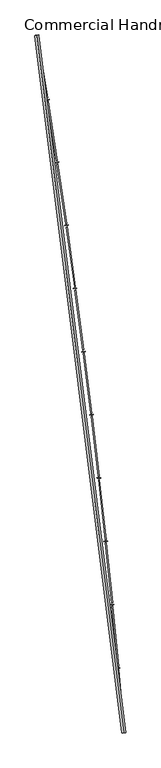
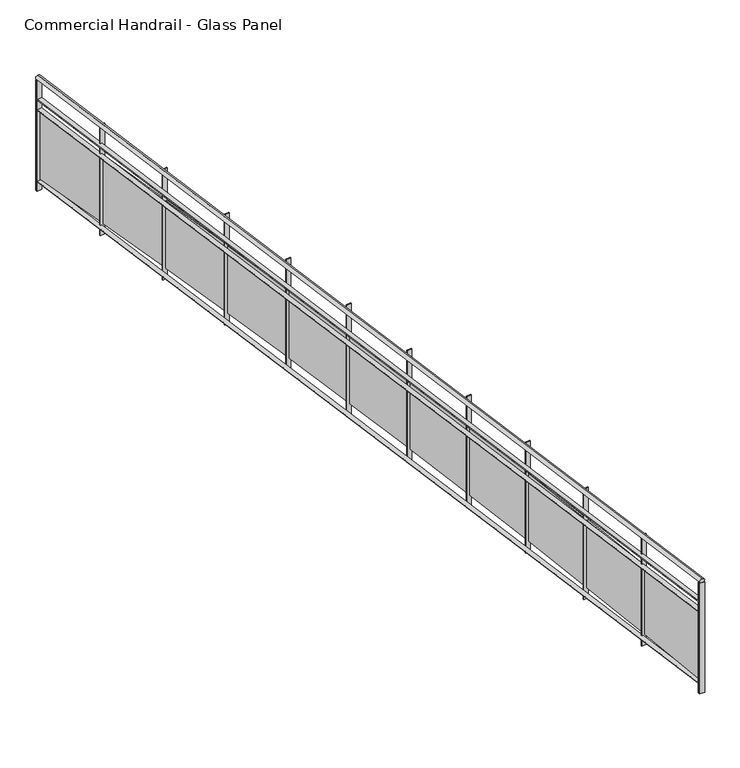
"""IFC4 building model written with IfcOpenShell, lengths in millimetres: railing geometry, Commercial Handrail - Glass Panel."""

from ifc_helpers import new_model, si_unit, point, frame, origin, place, context, project, spatial, polyline, circle_curve, ellipse_curve, trimmed, outline, extrude, source, transform, mapped, element, save
from ifc_brep_helpers import plane_surface, cylinder_surface, revolved_surface, advanced_brep


def commercial_handrail_glass_panel_d7b3b15d(model_context):
    return source(origin(), model_context, "Body", "SolidModel", [
        advanced_brep(
        [(155415.1518736, -49813.1101198, 23082.5), (156507.3198577, -58575.9102119, 23082.5), (156507.3198577, -58575.9102119, 23117.5), (155415.1518736, -49813.1101198, 23117.5)],
        [
            (0, 1, circle_curve(frame((49774.785812, -67429.2570352, 23082.5), z_axis=(0.0, 0.0, -1.0), x_axis=(0.9965773914870409, 0.08266500333808188, 0.0)), 107099.0923108)),
            (1, 2, ellipse_curve(frame((156507.3198577, -58575.9102119, 23100.0), z_axis=(-0.08266500333808835, 0.9965773914870406, 0.0), x_axis=(0.9965773914870404, 0.08266500333808834, 0.0)), 25.0, 17.5)),
            (2, 3, circle_curve(frame((49774.785812, -67429.2570352, 23117.5), z_axis=(0.0, 0.0, 1.0), x_axis=(0.9965773914870409, 0.08266500333808188, 0.0)), 107099.0923108)),
            (3, 0, ellipse_curve(frame((155415.1518736, -49813.1101198, 23100.0), z_axis=(0.16448455850891983, -0.9863796581500077, 0.0), x_axis=(0.9863796581500075, 0.1644845585089198, 0.0)), 25.0, 17.5)),
            (2, 1, ellipse_curve(frame((156507.3198577, -58575.9102119, 23100.0), z_axis=(-0.08266500333808835, 0.9965773914870406, 0.0), x_axis=(0.9965773914870404, 0.08266500333808834, 0.0)), 25.0, 17.5)),
            (0, 3, ellipse_curve(frame((155415.1518736, -49813.1101198, 23100.0), z_axis=(0.16448455850891983, -0.9863796581500077, 0.0), x_axis=(0.9863796581500075, 0.1644845585089198, 0.0)), 25.0, 17.5)),
        ],
        [
            revolved_surface(trimmed(ellipse_curve(frame((156507.3198577, -58575.9102119, 23100.0), z_axis=(0.08266500333808188, -0.9965773914870409, 0.0), x_axis=(0.0, 0.0, -1.0)), 17.5, 25.0), [point((156507.3198577, -58575.9102119, 23117.5))], [point((156507.3198577, -58575.9102119, 23082.5))], True, "CARTESIAN"), (49774.785812, -67429.2570352, 23100.0), (0.0, 0.0, 1.0)),
            revolved_surface(trimmed(ellipse_curve(frame((156507.3198577, -58575.9102119, 23100.0), z_axis=(0.08266500333808188, -0.9965773914870409, 0.0), x_axis=(0.0, 0.0, -1.0)), 17.5, 25.0), [point((156507.3198577, -58575.9102119, 23082.5))], [point((156507.3198577, -58575.9102119, 23117.5))], True, "CARTESIAN"), (49774.785812, -67429.2570352, 23100.0), (0.0, 0.0, 1.0)),
            plane_surface(frame((156507.3198577, -58575.9102119, 23100.0), z_axis=(0.08266500333808188, -0.9965773914870409, 0.0), x_axis=(0.9965773914870409, 0.08266500333808188, 0.0))),
            plane_surface(frame((155415.1518736, -49813.1101198, 23100.0), z_axis=(-0.16448455850891983, 0.9863796581500076, 0.0), x_axis=(0.9863796581500076, 0.16448455850891983, 0.0))),
        ],
        [
            (0, [[1, 2, 3, 4]]),
            (1, [[-3, 5, -1, 6]]),
            (2, [[-2, -5]]),
            (3, [[-6, -4]]),
        ],
    ),
        advanced_brep(
        [(155392.9583313, -49816.8110224, 22900.0), (156484.8968663, -58577.7701744, 22900.0), (156529.742849, -58574.0502493, 22900.0), (155437.3454159, -49809.4092172, 22900.0), (155392.9583313, -49816.8110224, 22894.0), (156484.8968663, -58577.7701744, 22894.0), (155437.3454159, -49809.4092172, 22894.0), (156529.742849, -58574.0502493, 22894.0)],
        [
            (0, 1, circle_curve(frame((49774.785812, -67429.2570352, 22900.0), z_axis=(0.0, 0.0, -1.0), x_axis=(0.9965773914870409, 0.08266500333808188, 0.0)), 107076.5923108)),
            (1, 2),
            (2, 3, circle_curve(frame((49774.785812, -67429.2570352, 22900.0), z_axis=(0.0, 0.0, 1.0), x_axis=(0.9965773914870409, 0.08266500333808188, 0.0)), 107121.5923108)),
            (3, 0),
            (4, 5, circle_curve(frame((49774.785812, -67429.2570352, 22894.0), z_axis=(0.0, 0.0, -1.0), x_axis=(0.9965773914870409, 0.08266500333808188, 0.0)), 107076.5923108)),
            (5, 1),
            (0, 4),
            (6, 7, circle_curve(frame((49774.785812, -67429.2570352, 22894.0), z_axis=(0.0, 0.0, -1.0), x_axis=(0.9965773914870409, 0.08266500333808188, 0.0)), 107121.5923108)),
            (7, 5),
            (4, 6),
            (2, 7),
            (6, 3),
        ],
        [
            plane_surface(frame((49774.785812, -67429.2570352, 22900.0), z_axis=(0.0, 0.0, 1.0), x_axis=(0.9965773914870409, 0.08266500333808188, 0.0))),
            revolved_surface(polyline([(156484.89686641842, -58577.77017439729, 22900.0), (156484.89686641842, -58577.77017439729, 22894.0)]), (49774.785812, -67429.2570352, 22900.0), (0.0, 0.0, 1.0)),
            plane_surface(frame((49774.785812, -67429.2570352, 22894.0), z_axis=(0.0, 0.0, -1.0), x_axis=(0.9965773914870409, 0.08266500333808188, 0.0))),
            cylinder_surface(frame((49774.785812, -67429.2570352, 22900.0), z_axis=(0.0, 0.0, 1.0), x_axis=(0.9965773914870409, 0.08266500333808188, 0.0)), 107121.5923108),
            plane_surface(frame((156507.3198577, -58575.9102119, 22900.0), z_axis=(0.08266500333808188, -0.9965773914870409, 0.0), x_axis=(0.9965773914870409, 0.08266500333808188, 0.0))),
            plane_surface(frame((155415.1518736, -49813.1101198, 22900.0), z_axis=(-0.16448455850891983, 0.9863796581500076, 0.0), x_axis=(0.9863796581500076, 0.16448455850891983, 0.0))),
        ],
        [
            (0, [[1, 2, 3, 4]]),
            (1, [[5, 6, -1, 7]]),
            (2, [[8, 9, -5, 10]]),
            (3, [[-3, 11, -8, 12]]),
            (4, [[-2, -6, -9, -11]]),
            (5, [[-12, -10, -7, -4]]),
        ],
    ),
        advanced_brep(
        [(155392.9583313, -49816.8110224, 22800.0), (156484.8968663, -58577.7701744, 22800.0), (156529.742849, -58574.0502493, 22800.0), (155437.3454159, -49809.4092172, 22800.0), (155392.9583313, -49816.8110224, 22794.0), (156484.8968663, -58577.7701744, 22794.0), (155437.3454159, -49809.4092172, 22794.0), (156529.742849, -58574.0502493, 22794.0)],
        [
            (0, 1, circle_curve(frame((49774.785812, -67429.2570352, 22800.0), z_axis=(0.0, 0.0, -1.0), x_axis=(0.9965773914870409, 0.08266500333808188, 0.0)), 107076.5923108)),
            (1, 2),
            (2, 3, circle_curve(frame((49774.785812, -67429.2570352, 22800.0), z_axis=(0.0, 0.0, 1.0), x_axis=(0.9965773914870409, 0.08266500333808188, 0.0)), 107121.5923108)),
            (3, 0),
            (4, 5, circle_curve(frame((49774.785812, -67429.2570352, 22794.0), z_axis=(0.0, 0.0, -1.0), x_axis=(0.9965773914870409, 0.08266500333808188, 0.0)), 107076.5923108)),
            (5, 1),
            (0, 4),
            (6, 7, circle_curve(frame((49774.785812, -67429.2570352, 22794.0), z_axis=(0.0, 0.0, -1.0), x_axis=(0.9965773914870409, 0.08266500333808188, 0.0)), 107121.5923108)),
            (7, 5),
            (4, 6),
            (2, 7),
            (6, 3),
        ],
        [
            plane_surface(frame((49774.785812, -67429.2570352, 22800.0), z_axis=(0.0, 0.0, 1.0), x_axis=(0.9965773914870409, 0.08266500333808188, 0.0))),
            revolved_surface(polyline([(156484.89686641842, -58577.77017439729, 22800.0), (156484.89686641842, -58577.77017439729, 22794.0)]), (49774.785812, -67429.2570352, 22800.0), (0.0, 0.0, 1.0)),
            plane_surface(frame((49774.785812, -67429.2570352, 22794.0), z_axis=(0.0, 0.0, -1.0), x_axis=(0.9965773914870409, 0.08266500333808188, 0.0))),
            cylinder_surface(frame((49774.785812, -67429.2570352, 22800.0), z_axis=(0.0, 0.0, 1.0), x_axis=(0.9965773914870409, 0.08266500333808188, 0.0)), 107121.5923108),
            plane_surface(frame((156507.3198577, -58575.9102119, 22800.0), z_axis=(0.08266500333808188, -0.9965773914870409, 0.0), x_axis=(0.9965773914870409, 0.08266500333808188, 0.0))),
            plane_surface(frame((155415.1518736, -49813.1101198, 22800.0), z_axis=(-0.16448455850891983, 0.9863796581500076, 0.0), x_axis=(0.9863796581500076, 0.16448455850891983, 0.0))),
        ],
        [
            (0, [[1, 2, 3, 4]]),
            (1, [[5, 6, -1, 7]]),
            (2, [[8, 9, -5, 10]]),
            (3, [[-3, 11, -8, 12]]),
            (4, [[-2, -6, -9, -11]]),
            (5, [[-12, -10, -7, -4]]),
        ],
    ),
        advanced_brep(
        [(155392.9583313, -49816.8110224, 22100.0), (156484.8968663, -58577.7701744, 22100.0), (156529.742849, -58574.0502493, 22100.0), (155437.3454159, -49809.4092172, 22100.0), (155392.9583313, -49816.8110224, 22094.0), (156484.8968663, -58577.7701744, 22094.0), (155437.3454159, -49809.4092172, 22094.0), (156529.742849, -58574.0502493, 22094.0)],
        [
            (0, 1, circle_curve(frame((49774.785812, -67429.2570352, 22100.0), z_axis=(0.0, 0.0, -1.0), x_axis=(0.9965773914870409, 0.08266500333808188, 0.0)), 107076.5923108)),
            (1, 2),
            (2, 3, circle_curve(frame((49774.785812, -67429.2570352, 22100.0), z_axis=(0.0, 0.0, 1.0), x_axis=(0.9965773914870409, 0.08266500333808188, 0.0)), 107121.5923108)),
            (3, 0),
            (4, 5, circle_curve(frame((49774.785812, -67429.2570352, 22094.0), z_axis=(0.0, 0.0, -1.0), x_axis=(0.9965773914870409, 0.08266500333808188, 0.0)), 107076.5923108)),
            (5, 1),
            (0, 4),
            (6, 7, circle_curve(frame((49774.785812, -67429.2570352, 22094.0), z_axis=(0.0, 0.0, -1.0), x_axis=(0.9965773914870409, 0.08266500333808188, 0.0)), 107121.5923108)),
            (7, 5),
            (4, 6),
            (2, 7),
            (6, 3),
        ],
        [
            plane_surface(frame((49774.785812, -67429.2570352, 22100.0), z_axis=(0.0, 0.0, 1.0), x_axis=(0.9965773914870409, 0.08266500333808188, 0.0))),
            revolved_surface(polyline([(156484.89686641842, -58577.77017439729, 22100.0), (156484.89686641842, -58577.77017439729, 22094.0)]), (49774.785812, -67429.2570352, 22100.0), (0.0, 0.0, 1.0)),
            plane_surface(frame((49774.785812, -67429.2570352, 22094.0), z_axis=(0.0, 0.0, -1.0), x_axis=(0.9965773914870409, 0.08266500333808188, 0.0))),
            cylinder_surface(frame((49774.785812, -67429.2570352, 22100.0), z_axis=(0.0, 0.0, 1.0), x_axis=(0.9965773914870409, 0.08266500333808188, 0.0)), 107121.5923108),
            plane_surface(frame((156507.3198577, -58575.9102119, 22100.0), z_axis=(0.08266500333808188, -0.9965773914870409, 0.0), x_axis=(0.9965773914870409, 0.08266500333808188, 0.0))),
            plane_surface(frame((155415.1518736, -49813.1101198, 22100.0), z_axis=(-0.16448455850891983, 0.9863796581500076, 0.0), x_axis=(0.9863796581500076, 0.16448455850891983, 0.0))),
        ],
        [
            (0, [[1, 2, 3, 4]]),
            (1, [[5, 6, -1, 7]]),
            (2, [[8, 9, -5, 10]]),
            (3, [[-3, 11, -8, 12]]),
            (4, [[-2, -6, -9, -11]]),
            (5, [[-12, -10, -7, -4]]),
        ],
    ),
        extrude(outline(polyline([(155440.5602167, -49828.6983042), (155396.1719887, -49836.0932495), (155395.185996, -49830.1748191), (155439.574224, -49822.7798738), (155440.5602167, -49828.6983042)])), frame((0.0, 0.0, 22000.0), z_axis=(0.0, 0.0, 1.0), x_axis=(1.0, 0.0, 0.0)), (0.0, 0.0, 1.0), 1082.1192282),
        extrude(outline(polyline([(155537.9927324, -50600.148842), (155415.9010924, -49850.0197655), (155427.7452357, -49848.0920027), (155549.8368757, -50598.2210792), (155537.9927324, -50600.148842)])), frame((0.0, 0.0, 22120.0), z_axis=(0.0, 0.0, 1.0), x_axis=(1.0, 0.0, 0.0)), (0.0, 0.0, 1.0), 660.0),
        extrude(outline(polyline([(155569.0823153, -50618.4755081), (155524.640088, -50625.5386825), (155523.6983314, -50619.6130522), (155568.1405587, -50612.5498778), (155569.0823153, -50618.4755081)])), frame((0.0, 0.0, 22000.0), z_axis=(0.0, 0.0, 1.0), x_axis=(1.0, 0.0, 0.0)), (0.0, 0.0, 1.0), 1082.1192282),
        extrude(outline(polyline([(155660.7496486, -51390.6323103), (155544.2646152, -50639.6121795), (155556.1228277, -50637.7729421), (155672.6078612, -51388.793073), (155660.7496486, -51390.6323103)])), frame((0.0, 0.0, 22120.0), z_axis=(0.0, 0.0, 1.0), x_axis=(1.0, 0.0, 0.0)), (0.0, 0.0, 1.0), 660.0),
        extrude(outline(polyline([(155691.7014704, -51409.1906934), (155647.2077235, -51415.921703), (155646.3102556, -51409.9892034), (155690.8040025, -51403.2581938), (155691.7014704, -51409.1906934)])), frame((0.0, 0.0, 22000.0), z_axis=(0.0, 0.0, 1.0), x_axis=(1.0, 0.0, 0.0)), (0.0, 0.0, 1.0), 1082.1192282),
        extrude(outline(polyline([(155777.5985065, -52182.0106766), (155666.7265791, -51430.1413956), (155678.5981993, -51428.3907863), (155789.4701268, -52180.2600673), (155777.5985065, -52182.0106766)])), frame((0.0, 0.0, 22120.0), z_axis=(0.0, 0.0, 1.0), x_axis=(1.0, 0.0, 0.0)), (0.0, 0.0, 1.0), 660.0),
        extrude(outline(polyline([(155808.4108402, -52200.7997412), (155763.8680564, -52207.1982104), (155763.0149272, -52201.2591725), (155807.557711, -52194.8607033), (155808.4108402, -52200.7997412)])), frame((0.0, 0.0, 22000.0), z_axis=(0.0, 0.0, 1.0), x_axis=(1.0, 0.0, 0.0)), (0.0, 0.0, 1.0), 1082.1192282),
        extrude(outline(polyline([(155888.5327865, -52974.2397848), (155783.2801513, -52221.5633053), (155795.1645168, -52219.9014216), (155900.4171519, -52972.5779011), (155888.5327865, -52974.2397848)])), frame((0.0, 0.0, 22120.0), z_axis=(0.0, 0.0, 1.0), x_axis=(1.0, 0.0, 0.0)), (0.0, 0.0, 1.0), 660.0),
        extrude(outline(polyline([(155919.2039129, -52993.2584824), (155874.6145774, -52999.3240542), (155873.8058345, -52993.3788094), (155918.39517, -52987.3132377), (155919.2039129, -52993.2584824)])), frame((0.0, 0.0, 22000.0), z_axis=(0.0, 0.0, 1.0), x_axis=(1.0, 0.0, 0.0)), (0.0, 0.0, 1.0), 1082.1192282),
        extrude(outline(polyline([(155993.5462987, -53767.2754312), (155893.9188285, -53013.8337498), (155905.8152761, -53012.2606845), (156005.4427463, -53765.7023659), (155993.5462987, -53767.2754312)])), frame((0.0, 0.0, 22120.0), z_axis=(0.0, 0.0, 1.0), x_axis=(1.0, 0.0, 0.0)), (0.0, 0.0, 1.0), 660.0),
        extrude(outline(polyline([(156024.0745064, -53786.5227008), (155979.4411072, -53792.2550367), (155978.6767957, -53786.3039168), (156023.3101949, -53780.5715809), (156024.0745064, -53786.5227008)])), frame((0.0, 0.0, 22000.0), z_axis=(0.0, 0.0, 1.0), x_axis=(1.0, 0.0, 0.0)), (0.0, 0.0, 1.0), 1082.1192282),
        extrude(outline(polyline([(156092.6331838, -54561.0733673), (155998.6364375, -53806.9085235), (156010.5443034, -53805.4243644), (156104.5410497, -54559.5892082), (156092.6331838, -54561.0733673)])), frame((0.0, 0.0, 22120.0), z_axis=(0.0, 0.0, 1.0), x_axis=(1.0, 0.0, 0.0)), (0.0, 0.0, 1.0), 660.0),
        extrude(outline(polyline([(156123.0167695, -54580.548135), (156078.3417969, -54585.9469151), (156077.6219596, -54579.9902521), (156122.2969321, -54574.591472), (156123.0167695, -54580.548135)])), frame((0.0, 0.0, 22000.0), z_axis=(0.0, 0.0, 1.0), x_axis=(1.0, 0.0, 0.0)), (0.0, 0.0, 1.0), 1082.1192282),
        extrude(outline(polyline([(156185.787913, -55355.5893021), (156097.4271353, -54600.7433755), (156109.3457552, -54599.3482053), (156197.7065329, -55354.194132), (156185.787913, -55355.5893021)])), frame((0.0, 0.0, 22120.0), z_axis=(0.0, 0.0, 1.0), x_axis=(1.0, 0.0, 0.0)), (0.0, 0.0, 1.0), 660.0),
        extrude(outline(polyline([(156216.0251814, -55375.2904812), (156171.3111282, -55380.3554043), (156170.6358051, -55374.3935306), (156215.3498583, -55369.3286074), (156216.0251814, -55375.2904812)])), frame((0.0, 0.0, 22000.0), z_axis=(0.0, 0.0, 1.0), x_axis=(1.0, 0.0, 0.0)), (0.0, 0.0, 1.0), 1082.1192282),
        extrude(outline(polyline([(156273.0052888, -56150.7789044), (156190.2854098, -55395.2940127), (156202.2141186, -55393.9879094), (156284.9339976, -56149.4728011), (156273.0052888, -56150.7789044)])), frame((0.0, 0.0, 22120.0), z_axis=(0.0, 0.0, 1.0), x_axis=(1.0, 0.0, 0.0)), (0.0, 0.0, 1.0), 660.0),
        extrude(outline(polyline([(156303.0945527, -56170.7053956), (156258.3439138, -56175.4361792), (156257.7131426, -56169.4694274), (156302.4637816, -56164.7386437), (156303.0945527, -56170.7053956)])), frame((0.0, 0.0, 22000.0), z_axis=(0.0, 0.0, 1.0), x_axis=(1.0, 0.0, 0.0)), (0.0, 0.0, 1.0), 1082.1192282),
        extrude(outline(polyline([(156354.2804446, -56946.5978055), (156277.2060799, -56190.5161021), (156289.144212, -56189.2991384), (156366.2185768, -56945.3808418), (156354.2804446, -56946.5978055)])), frame((0.0, 0.0, 22120.0), z_axis=(0.0, 0.0, 1.0), x_axis=(1.0, 0.0, 0.0)), (0.0, 0.0, 1.0), 660.0),
        extrude(outline(polyline([(156384.2200253, -56966.748497), (156339.4352975, -56971.1448771), (156338.8491135, -56965.17358), (156383.6338412, -56960.7771999), (156384.2200253, -56966.748497)])), frame((0.0, 0.0, 22000.0), z_axis=(0.0, 0.0, 1.0), x_axis=(1.0, 0.0, 0.0)), (0.0, 0.0, 1.0), 1082.1192282),
        extrude(outline(polyline([(156429.6088457, -57743.0016015), (156358.1842956, -56986.3652729), (156370.131185, -56985.2375169), (156441.5557351, -57741.8738454), (156429.6088457, -57743.0016015)])), frame((0.0, 0.0, 22120.0), z_axis=(0.0, 0.0, 1.0), x_axis=(1.0, 0.0, 0.0)), (0.0, 0.0, 1.0), 660.0),
        extrude(outline(polyline([(156459.3970725, -57763.3753689), (156414.5807547, -57767.4371002), (156414.0391905, -57761.4615912), (156458.8555083, -57757.3998599), (156459.3970725, -57763.3753689)])), frame((0.0, 0.0, 22000.0), z_axis=(0.0, 0.0, 1.0), x_axis=(1.0, 0.0, 0.0)), (0.0, 0.0, 1.0), 1082.1192282),
        extrude(outline(polyline([(156498.9862889, -58539.9458559), (156433.2155387, -57782.7971199), (156445.1705188, -57781.7586343), (156510.9412689, -58538.9073703), (156498.9862889, -58539.9458559)])), frame((0.0, 0.0, 22120.0), z_axis=(0.0, 0.0, 1.0), x_axis=(1.0, 0.0, 0.0)), (0.0, 0.0, 1.0), 660.0),
        extrude(outline(polyline([(156528.6214998, -58560.5415625), (156483.7760926, -58564.2684183), (156483.2791785, -58558.2890307), (156528.1245856, -58554.5621749), (156528.6214998, -58560.5415625)])), frame((0.0, 0.0, 22000.0), z_axis=(0.0, 0.0, 1.0), x_axis=(1.0, 0.0, 0.0)), (0.0, 0.0, 1.0), 1082.1192282),
        extrude(outline(polyline([(155437.8388696, -49812.3683562), (155393.451785, -49819.7701613), (155392.4648776, -49813.8518834), (155436.8519623, -49806.4500783), (155437.8388696, -49812.3683562)])), frame((0.0, 0.0, 22000.0), z_axis=(0.0, 0.0, 1.0), x_axis=(1.0, 0.0, 0.0)), (0.0, 0.0, 1.0), 1082.1192282),
        extrude(outline(polyline([(156529.990844, -58577.0399815), (156485.1448614, -58580.7599066), (156484.6488713, -58574.7804423), (156529.494854, -58571.0605171), (156529.990844, -58577.0399815)])), frame((0.0, 0.0, 22000.0), z_axis=(0.0, 0.0, 1.0), x_axis=(1.0, 0.0, 0.0)), (0.0, 0.0, 1.0), 1082.1192282),
    ])


if __name__ == "__main__":
    model = new_model("IFC4")
    model_context = context("Model", 3, world=origin())
    ifc_project = project(units=[si_unit("LENGTHUNIT", "METRE", prefix="MILLI")], contexts=[model_context])
    site = spatial("IfcSite", under=ifc_project)
    building = spatial("IfcBuilding", under=site)
    placement = place(None, origin())
    commercial_handrail_glass_panel_shape = commercial_handrail_glass_panel_d7b3b15d(model_context)
    element("IfcRailing", 1, ObjectType="Commercial Handrail - Glass Panel", at=placement, inside=building, context=model_context, shape_type="MappedRepresentation", body=[
        mapped(commercial_handrail_glass_panel_shape, transform((0.0, 0.0, 0.0), x_axis=(1.0, 0.0, 0.0), y_axis=(0.0, 1.0, 0.0), z_axis=(0.0, 0.0, 1.0))),
    ])
    save(model, "model.ifc")
